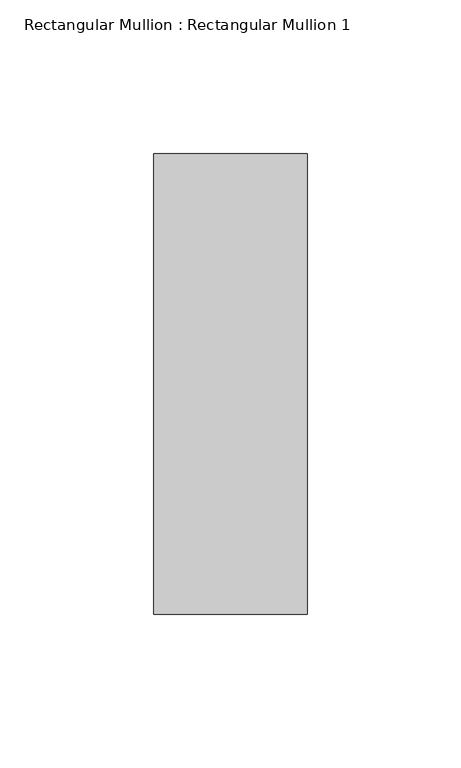
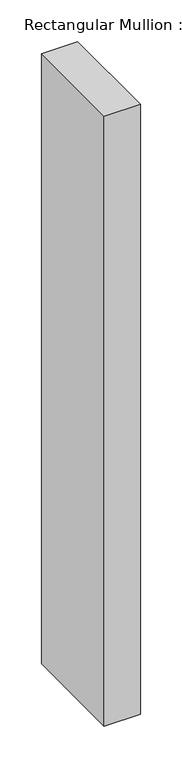
"""IFC4 building model written with IfcOpenShell, lengths in millimetres: member geometry, Rectangular Mullion : Rectangular Mullion 1."""

from ifc_helpers import new_model, si_unit, frame, origin, place, context, project, spatial, polyline, outline, extrude, source, transform, mapped, element, save


def rectangular_mullion_rectangular_mullion_1_c53aeb4a(model_context):
    return source(origin(), model_context, "Body", "SweptSolid", [
        extrude(outline(polyline([(0.0, 75.0), (0.0, -75.0), (-50.0, -75.0), (-50.0, 75.0), (0.0, 75.0)])), frame((0.0, 0.0, -891.6666667), z_axis=(0.0, 0.0, 1.0), x_axis=(1.0, 0.0, 0.0)), (0.0, 0.0, 1.0), 891.6666667),
    ])


if __name__ == "__main__":
    model = new_model("IFC4")
    model_context = context("Model", 3, world=origin())
    ifc_project = project(units=[si_unit("LENGTHUNIT", "METRE", prefix="MILLI")], contexts=[model_context])
    site = spatial("IfcSite", under=ifc_project)
    building = spatial("IfcBuilding", under=site)
    placement = place(None, origin())
    rectangular_mullion_rectangular_mullion_1_shape = rectangular_mullion_rectangular_mullion_1_c53aeb4a(model_context)
    element("IfcMember", 1, ObjectType="Rectangular Mullion : Rectangular Mullion 1", at=placement, inside=building, context=model_context, shape_type="MappedRepresentation", body=[
        mapped(rectangular_mullion_rectangular_mullion_1_shape, transform((0.0, 0.0, 0.0), x_axis=(1.0, 0.0, 0.0), y_axis=(0.0, 1.0, 0.0), z_axis=(0.0, 0.0, 1.0))),
    ])
    save(model, "model.ifc")
